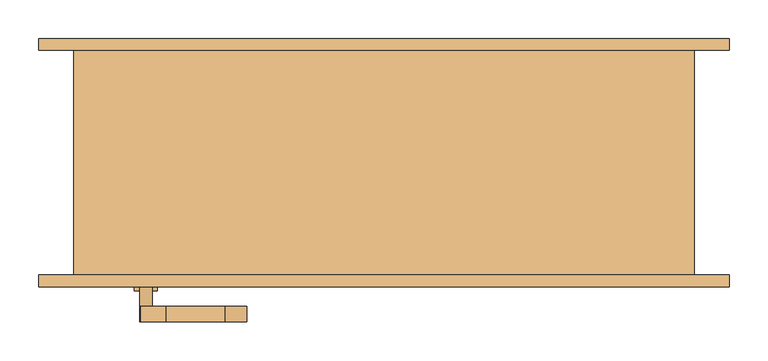
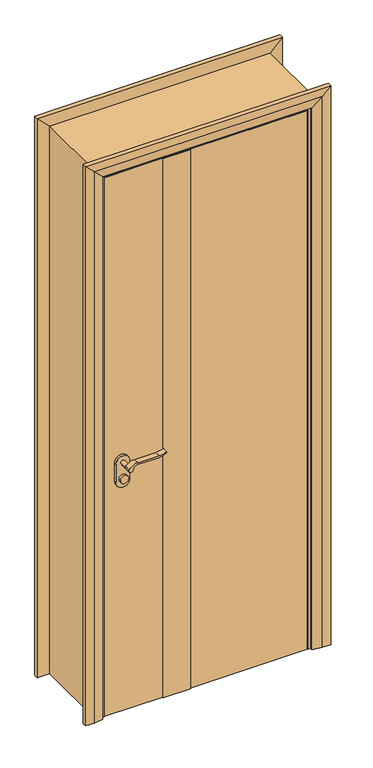
"""IFC4 building model written with IfcOpenShell, lengths in millimetres: door geometry."""

from ifc_helpers import new_model, si_unit, point, frame, frame_2d, origin, origin_with_axes, place, context, project, spatial, polyline, circle_curve, trimmed, segment, composite_curve, outline, extrude, faceted_brep, source, transform, mapped, element, save


def door_2248e3ca(model_context):
    return source(origin(), model_context, "Body", "SolidModel", [
        extrude(outline(composite_curve([segment(trimmed(circle_curve(frame_2d((900.0, -307.0)), 15.0), [point((900.0, -292.0))], [point((900.0, -322.0))], False, "CARTESIAN"), True, "CONTINUOUS"), segment(trimmed(circle_curve(frame_2d((900.0, -307.0)), 15.0), [point((900.0, -322.0))], [point((900.0, -292.0))], False, "CARTESIAN"), True, "CONTINUOUS")], self_intersect=False)), frame((0.0, -165.0, 0.0), z_axis=(0.0, 1.0, 0.0), x_axis=(0.0, 0.0, 1.0)), (0.0, 0.0, 1.0), 10.0),
        extrude(outline(composite_curve([segment(trimmed(circle_curve(frame_2d((900.0, -307.0)), 15.0), [point((900.0, -292.0))], [point((900.0, -322.0))], False, "CARTESIAN"), True, "CONTINUOUS"), segment(trimmed(circle_curve(frame_2d((900.0, -307.0)), 15.0), [point((900.0, -322.0))], [point((900.0, -292.0))], False, "CARTESIAN"), True, "CONTINUOUS")], self_intersect=False)), frame((0.0, -85.0, 0.0), z_axis=(0.0, 1.0, 0.0), x_axis=(0.0, 0.0, 1.0)), (0.0, 0.0, 1.0), 10.0),
        extrude(outline(composite_curve([segment(trimmed(circle_curve(frame_2d((960.0, -307.0)), 8.0), [point((964.6523287, -313.5081363))], [point((960.0, -299.0))], False, "CARTESIAN"), True, "CONTINUOUS"), segment(trimmed(circle_curve(frame_2d((954.8738613, -281.6138099)), 18.1261387), [point((960.0, -299.0))], [point((973.0, -281.6138099))], True, "CARTESIAN"), True, "CONTINUOUS"), segment(polyline([(973.0, -281.6138099), (973.0, -205.3564091)]), True, "CONTINUOUS"), segment(trimmed(circle_curve(frame_2d((1032.2709207, -208.9396612)), 59.3791355), [point((973.0, -205.3564091))], [point((982.2135558, -177.0))], False, "CARTESIAN"), True, "CONTINUOUS"), segment(polyline([(982.2135558, -177.0), (985.0, -177.0)]), True, "CONTINUOUS"), segment(trimmed(circle_curve(frame_2d((1063.2850638, -205.4227909)), 83.2850902), [point((985.0, -177.0))], [point((980.0, -205.3564091))], True, "CARTESIAN"), True, "CONTINUOUS"), segment(polyline([(980.0, -205.3564091), (980.0, -281.6325667)]), True, "CONTINUOUS"), segment(trimmed(circle_curve(frame_2d((942.7555521, -283.3324871)), 37.2832219), [point((980.0, -281.6325667))], [point((964.6523287, -313.5081363))], False, "CARTESIAN"), True, "CONTINUOUS")], self_intersect=False)), frame((0.0, -205.0, 0.0), z_axis=(0.0, 1.0, 0.0), x_axis=(0.0, 0.0, 1.0)), (0.0, 0.0, 1.0), 20.0),
        extrude(outline(composite_curve([segment(trimmed(circle_curve(frame_2d((954.8738682, -281.6138122)), 18.1261318), [point((959.9999903, -299.0))], [point((973.0, -281.6138122))], True, "CARTESIAN"), True, "CONTINUOUS"), segment(polyline([(973.0, -281.6138122), (973.0, -205.3564091)]), True, "CONTINUOUS"), segment(trimmed(circle_curve(frame_2d((1032.2709207, -208.9396612)), 59.3791355), [point((973.0, -205.3564091))], [point((982.2135558, -177.0))], False, "CARTESIAN"), True, "CONTINUOUS"), segment(polyline([(982.2135558, -177.0), (985.0, -177.0)]), True, "CONTINUOUS"), segment(trimmed(circle_curve(frame_2d((1063.2850638, -205.4227909)), 83.2850902), [point((985.0, -177.0))], [point((980.0, -205.3564091))], True, "CARTESIAN"), True, "CONTINUOUS"), segment(polyline([(980.0, -205.3564091), (980.0, -281.6325667)]), True, "CONTINUOUS"), segment(trimmed(circle_curve(frame_2d((942.7555521, -283.3324871)), 37.2832219), [point((980.0, -281.6325667))], [point((964.6523287, -313.5081363))], False, "CARTESIAN"), True, "CONTINUOUS"), segment(trimmed(circle_curve(frame_2d((960.0, -307.0)), 8.0), [point((964.6523287, -313.5081363))], [point((959.9999903, -299.0))], False, "CARTESIAN"), True, "CONTINUOUS")], self_intersect=False)), frame((0.0, -55.0, 0.0), z_axis=(0.0, 1.0, 0.0), x_axis=(0.0, 0.0, 1.0)), (0.0, 0.0, 1.0), 20.0),
        extrude(outline(composite_curve([segment(trimmed(circle_curve(frame_2d((960.0, -307.0)), 8.0), [point((960.0, -299.0))], [point((960.0, -315.0))], False, "CARTESIAN"), True, "CONTINUOUS"), segment(trimmed(circle_curve(frame_2d((960.0, -307.0)), 8.0), [point((960.0, -315.0))], [point((960.0, -299.0))], False, "CARTESIAN"), True, "CONTINUOUS")], self_intersect=False)), frame((0.0, -185.0, 0.0), z_axis=(0.0, 1.0, 0.0), x_axis=(0.0, 0.0, 1.0)), (0.0, 0.0, 1.0), 30.0),
        extrude(outline(composite_curve([segment(trimmed(circle_curve(frame_2d((960.0, -307.0)), 8.0), [point((960.0, -299.0))], [point((960.0, -315.0))], False, "CARTESIAN"), True, "CONTINUOUS"), segment(trimmed(circle_curve(frame_2d((960.0, -307.0)), 8.0), [point((960.0, -315.0))], [point((960.0, -299.0))], False, "CARTESIAN"), True, "CONTINUOUS")], self_intersect=False)), frame((0.0, -85.0, 0.0), z_axis=(0.0, 1.0, 0.0), x_axis=(0.0, 0.0, 1.0)), (0.0, 0.0, 1.0), 30.0),
        extrude(outline(composite_curve([segment(trimmed(circle_curve(frame_2d((890.0, -307.0)), 25.0), [point((890.0, -332.0))], [point((890.0, -282.0))], False, "CARTESIAN"), True, "CONTINUOUS"), segment(polyline([(890.0, -282.0), (960.0, -282.0)]), True, "CONTINUOUS"), segment(trimmed(circle_curve(frame_2d((960.0, -307.0)), 25.0), [point((960.0, -282.0))], [point((960.0, -332.0))], False, "CARTESIAN"), True, "CONTINUOUS"), segment(polyline([(960.0, -332.0), (890.0, -332.0)]), True, "CONTINUOUS")], self_intersect=False)), frame((0.0, -155.0, 0.0), z_axis=(0.0, 1.0, 0.0), x_axis=(0.0, 0.0, 1.0)), (0.0, 0.0, 1.0), 10.0),
        extrude(outline(composite_curve([segment(trimmed(circle_curve(frame_2d((890.0, -307.0)), 25.0), [point((890.0, -332.0))], [point((890.0, -282.0))], False, "CARTESIAN"), True, "CONTINUOUS"), segment(polyline([(890.0, -282.0), (960.0, -282.0)]), True, "CONTINUOUS"), segment(trimmed(circle_curve(frame_2d((960.0, -307.0)), 25.0), [point((960.0, -282.0))], [point((960.0, -332.0))], False, "CARTESIAN"), True, "CONTINUOUS"), segment(polyline([(960.0, -332.0), (890.0, -332.0)]), True, "CONTINUOUS")], self_intersect=False)), frame((0.0, -95.0, 0.0), z_axis=(0.0, 1.0, 0.0), x_axis=(0.0, 0.0, 1.0)), (0.0, 0.0, 1.0), 10.0),
        extrude(outline(polyline([(-157.0, -148.0), (-157.0, -92.0), (-57.0, -92.0), (-57.0, -148.0), (-157.0, -148.0)])), origin_with_axes(), (0.0, 0.0, 1.0), 2067.0),
        faceted_brep([(-370.0, -145.0, 0.0), (-400.0, -145.0, 0.0), (-400.0, 145.0, 0.0), (-355.0, 145.0, 0.0), (-355.0, -92.0, 0.0), (-370.0, -92.0, 0.0), (-370.0, -92.0, 2070.0), (-370.0, -145.0, 2070.0), (-355.0, -92.0, 2055.0), (-355.0, 145.0, 2055.0), (-400.0, 145.0, 2100.0), (-400.0, -145.0, 2100.0), (370.0, -92.0, 2070.0), (370.0, -145.0, 2070.0), (355.0, -92.0, 2055.0), (355.0, 145.0, 2055.0), (400.0, 145.0, 2100.0), (400.0, -145.0, 2100.0), (370.0, -145.0, 0.0), (370.0, -92.0, 0.0), (355.0, -92.0, 0.0), (355.0, 145.0, 0.0), (400.0, 145.0, 0.0), (400.0, -145.0, 0.0)], [[[0, 1, 2, 3, 4, 5]], [[5, 6, 7, 0]], [[4, 8, 6, 5]], [[3, 9, 8, 4]], [[2, 10, 9, 3]], [[1, 11, 10, 2]], [[0, 7, 11, 1]], [[6, 12, 13, 7]], [[8, 14, 12, 6]], [[9, 15, 14, 8]], [[10, 16, 15, 9]], [[11, 17, 16, 10]], [[7, 13, 17, 11]], [[18, 19, 20, 21, 22, 23]], [[12, 19, 18, 13]], [[14, 20, 19, 12]], [[15, 21, 20, 14]], [[16, 22, 21, 15]], [[17, 23, 22, 16]], [[13, 18, 23, 17]]]),
        extrude(outline(polyline([(367.0, -95.0), (367.0, -145.0), (-57.0, -145.0), (-57.0, -95.0), (367.0, -95.0)])), origin_with_axes(), (0.0, 0.0, 1.0), 2067.0),
        extrude(outline(polyline([(-157.0, -95.0), (-157.0, -145.0), (-367.0, -145.0), (-367.0, -95.0), (-157.0, -95.0)])), origin_with_axes(), (0.0, 0.0, 1.0), 2067.0),
        faceted_brep([(-445.0, -145.0, 0.0), (-380.0, -145.0, 0.0), (-380.0, -155.0, 0.0), (-415.0, -160.0, 0.0), (-445.0, -160.0, 0.0), (-445.0, -160.0, 2145.0), (-445.0, -145.0, 2145.0), (-415.0, -160.0, 2115.0), (-380.0, -155.0, 2080.0), (-380.0, -145.0, 2080.0), (445.0, -160.0, 2145.0), (445.0, -145.0, 2145.0), (415.0, -160.0, 2115.0), (380.0, -155.0, 2080.0), (380.0, -145.0, 2080.0), (445.0, -145.0, 0.0), (445.0, -160.0, 0.0), (415.0, -160.0, 0.0), (380.0, -155.0, 0.0), (380.0, -145.0, 0.0)], [[[0, 1, 2, 3, 4]], [[4, 5, 6, 0]], [[3, 7, 5, 4]], [[2, 8, 7, 3]], [[1, 9, 8, 2]], [[0, 6, 9, 1]], [[5, 10, 11, 6]], [[7, 12, 10, 5]], [[8, 13, 12, 7]], [[9, 14, 13, 8]], [[6, 11, 14, 9]], [[15, 16, 17, 18, 19]], [[10, 16, 15, 11]], [[12, 17, 16, 10]], [[13, 18, 17, 12]], [[14, 19, 18, 13]], [[11, 15, 19, 14]]]),
        faceted_brep([(-380.0, 155.0, 0.0), (-380.0, 145.0, 0.0), (-445.0, 145.0, 0.0), (-445.0, 160.0, 0.0), (-415.0, 160.0, 0.0), (-415.0, 160.0, 2115.0), (-380.0, 155.0, 2080.0), (-445.0, 160.0, 2145.0), (-445.0, 145.0, 2145.0), (-380.0, 145.0, 2080.0), (415.0, 160.0, 2115.0), (380.0, 155.0, 2080.0), (445.0, 160.0, 2145.0), (445.0, 145.0, 2145.0), (380.0, 145.0, 2080.0), (380.0, 155.0, 0.0), (415.0, 160.0, 0.0), (445.0, 160.0, 0.0), (445.0, 145.0, 0.0), (380.0, 145.0, 0.0)], [[[0, 1, 2, 3, 4]], [[4, 5, 6, 0]], [[3, 7, 5, 4]], [[2, 8, 7, 3]], [[1, 9, 8, 2]], [[0, 6, 9, 1]], [[5, 10, 11, 6]], [[7, 12, 10, 5]], [[8, 13, 12, 7]], [[9, 14, 13, 8]], [[6, 11, 14, 9]], [[15, 16, 17, 18, 19]], [[10, 16, 15, 11]], [[12, 17, 16, 10]], [[13, 18, 17, 12]], [[14, 19, 18, 13]], [[11, 15, 19, 14]]]),
    ])


if __name__ == "__main__":
    model = new_model("IFC4")
    model_context = context("Model", 3, world=origin())
    ifc_project = project(units=[si_unit("LENGTHUNIT", "METRE", prefix="MILLI")], contexts=[model_context])
    site = spatial("IfcSite", under=ifc_project)
    building = spatial("IfcBuilding", under=site)
    placement = place(None, origin())
    door_shape = door_2248e3ca(model_context)
    element("IfcDoor", 1, at=placement, inside=building, context=model_context, shape_type="MappedRepresentation", body=[
        mapped(door_shape, transform((0.0, 0.0, 0.0), x_axis=(1.0, 0.0, 0.0), y_axis=(0.0, 1.0, 0.0), z_axis=(0.0, 0.0, 1.0))),
    ])
    save(model, "model.ifc")
